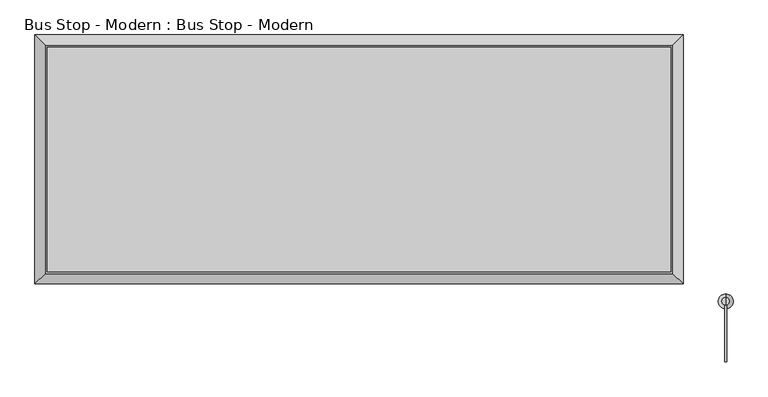
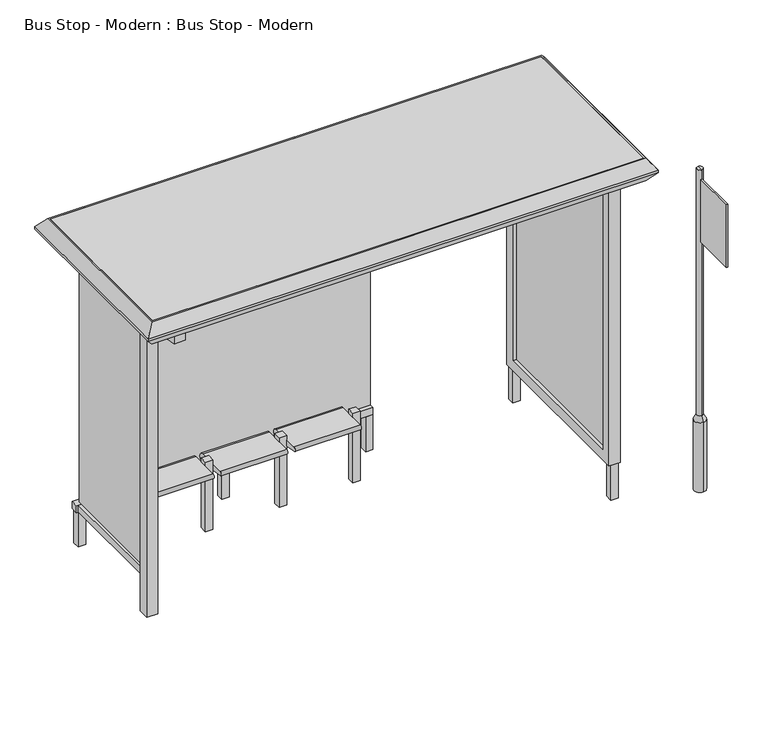
"""IFC4 building model written with IfcOpenShell, lengths in millimetres: geographic element geometry, Bus Stop - Modern : Bus Stop - Modern."""

from ifc_helpers import new_model, si_unit, point, frame, frame_2d, origin, origin_with_axes, place, context, project, spatial, polyline, circle_curve, trimmed, segment, composite_curve, outline, extrude, faceted_brep, source, transform, mapped, element, save
from ifc_brep_helpers import plane_surface, cylinder_surface, revolved_surface, advanced_brep


def bus_stop_modern_bus_stop_modern_3fdf870d(model_context):
    return source(origin(), model_context, "Body", "SolidModel", [
        extrude(outline(polyline([(1957.5, -1680.3732439), (1957.5, -1380.3732439), (1967.5, -1380.3732439), (1967.5, -1680.3732439), (1957.5, -1680.3732439)])), frame((0.0, 0.0, 1784.6), z_axis=(0.0, 0.0, 1.0), x_axis=(1.0, 0.0, 0.0)), (0.0, 0.0, 1.0), 450.0),
        advanced_brep(
        [(1962.5, -1398.2604073, 500.0), (1962.5, -1318.2604073, 500.0), (1962.5, -1318.2604073, 0.0), (1962.5, -1398.2604073, 0.0), (1962.5, -1378.2604073, 534.6), (1962.5, -1338.2604073, 534.6), (1962.5, -1378.2604073, 2300.0), (1962.5, -1338.2604073, 2300.0), (1962.5, -1358.2604073, 2300.0), (1962.5, -1358.2604073, 0.0)],
        [
            (0, 1, circle_curve(frame((1962.5, -1358.2604073, 500.0), z_axis=(0.0, 0.0, -1.0), x_axis=(0.0, 1.0, 0.0)), 40.0)),
            (1, 2),
            (2, 3, circle_curve(frame((1962.5, -1358.2604073, 0.0), z_axis=(0.0, 0.0, 1.0), x_axis=(0.0, 1.0, 0.0)), 40.0)),
            (3, 0),
            (1, 0, circle_curve(frame((1962.5, -1358.2604073, 500.0), z_axis=(0.0, 0.0, -1.0), x_axis=(0.0, 1.0, 0.0)), 40.0)),
            (3, 2, circle_curve(frame((1962.5, -1358.2604073, 0.0), z_axis=(0.0, 0.0, 1.0), x_axis=(0.0, 1.0, 0.0)), 40.0)),
            (4, 5, circle_curve(frame((1962.5, -1358.2604073, 534.6), z_axis=(0.0, 0.0, -1.0), x_axis=(0.0, 1.0, 0.0)), 20.0)),
            (5, 1),
            (0, 4),
            (5, 4, circle_curve(frame((1962.5, -1358.2604073, 534.6), z_axis=(0.0, 0.0, -1.0), x_axis=(0.0, 1.0, 0.0)), 20.0)),
            (6, 7, circle_curve(frame((1962.5, -1358.2604073, 2300.0), z_axis=(0.0, 0.0, -1.0), x_axis=(0.0, 1.0, 0.0)), 20.0)),
            (7, 5),
            (4, 6),
            (7, 6, circle_curve(frame((1962.5, -1358.2604073, 2300.0), z_axis=(0.0, 0.0, -1.0), x_axis=(0.0, 1.0, 0.0)), 20.0)),
            (8, 7),
            (6, 8),
            (2, 9),
            (9, 3),
        ],
        [
            cylinder_surface(frame((1962.5, -1358.2604073, -120.0), z_axis=(0.0, 0.0, 1.0), x_axis=(0.0, 1.0, 0.0)), 40.0),
            revolved_surface(polyline([(1962.5, -1318.2604073, 500.0), (1962.5, -1338.2604073, 534.6)]), (1962.5, -1358.2604073, -120.0), (0.0, 0.0, 1.0)),
            cylinder_surface(frame((1962.5, -1358.2604073, -120.0), z_axis=(0.0, 0.0, 1.0), x_axis=(0.0, 1.0, 0.0)), 20.0),
            plane_surface(frame((1962.5, -1358.2604073, 2300.0), z_axis=(0.0, 0.0, 1.0), x_axis=(0.0, 1.0, 0.0))),
            plane_surface(frame((1962.5, -1358.2604073, 0.0), z_axis=(0.0, 0.0, -1.0), x_axis=(0.0, 1.0, 0.0))),
        ],
        [
            (0, [[1, 2, 3, 4]]),
            (0, [[5, -4, 6, -2]]),
            (1, [[7, 8, -1, 9]]),
            (1, [[10, -9, -5, -8]]),
            (2, [[11, 12, -7, 13]]),
            (2, [[14, -13, -10, -12]]),
            (3, [[15, -11, 16]]),
            (3, [[-16, -14, -15]]),
            (4, [[-3, 17, 18]]),
            (4, [[-6, -18, -17]]),
        ],
    ),
        faceted_brep([(1735.0, 65.0, 2310.0), (1680.0, 10.0, 2380.0), (1680.0, -1210.0, 2380.0), (1735.0, -1265.0, 2310.0), (1735.0, 65.0, 2290.0), (1735.0, -1265.0, 2290.0), (1680.0, 10.0, 2220.0), (1680.0, -1210.0, 2220.0), (1670.0, 0.0, 2380.0), (1670.0, 0.0, 2220.0), (1670.0, -1200.0, 2220.0), (1670.0, -1200.0, 2380.0), (-1672.5, -1210.0, 2380.0), (-1727.5, -1265.0, 2310.0), (-1727.5, -1265.0, 2290.0), (-1672.5, -1210.0, 2220.0), (-1662.5, -1200.0, 2220.0), (-1662.5, -1200.0, 2380.0), (-1672.5, 10.0, 2380.0), (-1727.5, 65.0, 2310.0), (-1727.5, 65.0, 2290.0), (-1672.5, 10.0, 2220.0), (-1662.5, 0.0, 2220.0), (-1662.5, 0.0, 2380.0)], [[[0, 1, 2, 3]], [[4, 0, 3, 5]], [[6, 4, 5, 7]], [[8, 9, 10, 11]], [[3, 2, 12, 13]], [[5, 3, 13, 14]], [[7, 5, 14, 15]], [[11, 10, 16, 17]], [[13, 12, 18, 19]], [[14, 13, 19, 20]], [[15, 14, 20, 21]], [[17, 16, 22, 23]], [[19, 18, 1, 0]], [[20, 19, 0, 4]], [[21, 20, 4, 6]], [[7, 15, 21, 6], [9, 22, 16, 10]], [[23, 22, 9, 8]], [[1, 18, 12, 2], [11, 17, 23, 8]]]),
        extrude(outline(polyline([(-1662.5, -1200.0), (-1662.5, 0.0), (1670.0, 0.0), (1670.0, -1200.0), (-1662.5, -1200.0)])), frame((0.0, 0.0, 2220.0), z_axis=(0.0, 0.0, 1.0), x_axis=(1.0, 0.0, 0.0)), (0.0, 0.0, 1.0), 160.0),
        extrude(outline(polyline([(1490.0, -50.0), (1490.0, -1150.0), (1480.0, -1150.0), (1480.0, -50.0), (1490.0, -50.0)])), frame((0.0, 0.0, 300.0), z_axis=(0.0, 0.0, 1.0), x_axis=(1.0, 0.0, 0.0)), (0.0, 0.0, 1.0), 1870.0),
        extrude(outline(polyline([(1460.0, -1150.0), (1460.0, -50.0), (1470.0, -50.0), (1470.0, -1150.0), (1460.0, -1150.0)])), frame((0.0, 0.0, 300.0), z_axis=(0.0, 0.0, 1.0), x_axis=(1.0, 0.0, 0.0)), (0.0, 0.0, 1.0), 1870.0),
        faceted_brep([(1512.5, 0.0, 250.0), (1437.5, 0.0, 250.0), (1437.5, 0.0, 2220.0), (1512.5, 0.0, 2220.0), (1487.5, -75.0, 325.0), (1512.5, -75.0, 325.0), (1512.5, -75.0, 2145.0), (1487.5, -75.0, 2145.0), (1462.5, -50.0, 300.0), (1487.5, -50.0, 300.0), (1487.5, -50.0, 2170.0), (1462.5, -50.0, 2170.0), (1437.5, -75.0, 325.0), (1462.5, -75.0, 325.0), (1462.5, -75.0, 2145.0), (1437.5, -75.0, 2145.0), (1437.5, -1200.0, 2220.0), (1512.5, -1200.0, 2220.0), (1512.5, -1125.0, 2145.0), (1487.5, -1125.0, 2145.0), (1487.5, -1150.0, 2170.0), (1462.5, -1150.0, 2170.0), (1462.5, -1125.0, 2145.0), (1437.5, -1125.0, 2145.0), (1437.5, -1200.0, 250.0), (1512.5, -1200.0, 250.0), (1512.5, -1125.0, 325.0), (1487.5, -1125.0, 325.0), (1487.5, -1150.0, 300.0), (1462.5, -1150.0, 300.0), (1462.5, -1125.0, 325.0), (1437.5, -1125.0, 325.0)], [[[0, 1, 2, 3]], [[4, 5, 6, 7]], [[8, 9, 10, 11]], [[12, 13, 14, 15]], [[3, 2, 16, 17]], [[7, 6, 18, 19]], [[11, 10, 20, 21]], [[15, 14, 22, 23]], [[17, 16, 24, 25]], [[19, 18, 26, 27]], [[21, 20, 28, 29]], [[23, 22, 30, 31]], [[25, 24, 1, 0]], [[3, 17, 25, 0], [5, 26, 18, 6]], [[27, 26, 5, 4]], [[9, 28, 20, 10], [7, 19, 27, 4]], [[29, 28, 9, 8]], [[11, 21, 29, 8], [13, 30, 22, 14]], [[31, 30, 13, 12]], [[1, 24, 16, 2], [15, 23, 31, 12]]]),
        extrude(outline(polyline([(500.0, -20.0), (-1470.0, -20.0), (-1470.0, -10.0), (500.0, -10.0), (500.0, -20.0)])), frame((0.0, 0.0, 300.0), z_axis=(0.0, 0.0, 1.0), x_axis=(1.0, 0.0, 0.0)), (0.0, 0.0, 1.0), 1920.0),
        extrude(outline(polyline([(-800.0, 300.0), (-800.0, 2100.0), (-25.0, 2158.125), (-25.0, 300.0), (-800.0, 300.0)])), frame((-1480.0, 0.0, 0.0), z_axis=(1.0, 0.0, 0.0), x_axis=(0.0, 1.0, 0.0)), (0.0, 0.0, 1.0), 10.0),
        extrude(outline(composite_curve([segment(trimmed(circle_curve(frame_2d((-171.5367578, 436.9988667)), 33.0011333), [point((-171.5367578, 470.0))], [point((-171.5367578, 403.9977334))], False, "CARTESIAN"), True, "CONTINUOUS"), segment(polyline([(-171.5367578, 403.9977334), (-376.5367578, 440.1447644)]), True, "CONTINUOUS"), segment(trimmed(circle_curve(frame_2d((-376.5367578, 455.0723822)), 14.9276178), [point((-376.5367578, 440.1447644))], [point((-376.5367578, 470.0))], False, "CARTESIAN"), True, "CONTINUOUS"), segment(polyline([(-376.5367578, 470.0), (-171.5367578, 470.0)]), True, "CONTINUOUS")], self_intersect=False)), frame((-225.0, 0.0, 0.0), z_axis=(1.0, 0.0, 0.0), x_axis=(0.0, 1.0, 0.0)), (0.0, 0.0, 1.0), 450.0),
        extrude(outline(composite_curve([segment(trimmed(circle_curve(frame_2d((-171.5367578, 436.9988667)), 33.0011333), [point((-171.5367578, 470.0))], [point((-171.5367578, 403.9977334))], False, "CARTESIAN"), True, "CONTINUOUS"), segment(polyline([(-171.5367578, 403.9977334), (-376.5367578, 440.1447644)]), True, "CONTINUOUS"), segment(trimmed(circle_curve(frame_2d((-376.5367578, 455.0723822)), 14.9276178), [point((-376.5367578, 440.1447644))], [point((-376.5367578, 470.0))], False, "CARTESIAN"), True, "CONTINUOUS"), segment(polyline([(-376.5367578, 470.0), (-171.5367578, 470.0)]), True, "CONTINUOUS")], self_intersect=False)), frame((-725.0, 0.0, 0.0), z_axis=(1.0, 0.0, 0.0), x_axis=(0.0, 1.0, 0.0)), (0.0, 0.0, 1.0), 450.0),
        extrude(outline(composite_curve([segment(trimmed(circle_curve(frame_2d((-173.0011333, 436.9988667)), 33.0011333), [point((-173.0011333, 470.0))], [point((-173.0011333, 403.9977334))], False, "CARTESIAN"), True, "CONTINUOUS"), segment(polyline([(-173.0011333, 403.9977334), (-378.0011333, 440.1447644)]), True, "CONTINUOUS"), segment(trimmed(circle_curve(frame_2d((-378.0011333, 455.0723822)), 14.9276178), [point((-378.0011333, 440.1447644))], [point((-378.0011333, 470.0))], False, "CARTESIAN"), True, "CONTINUOUS"), segment(polyline([(-378.0011333, 470.0), (-173.0011333, 470.0)]), True, "CONTINUOUS")], self_intersect=False)), frame((-1225.0, 0.0, 0.0), z_axis=(1.0, 0.0, 0.0), x_axis=(0.0, 1.0, 0.0)), (0.0, 0.0, 1.0), 450.0),
        extrude(outline(polyline([(-1200.0, 2220.0), (0.0, 2220.0), (0.0, 2160.0), (-800.0, 2100.0), (-875.0, 2100.0), (-1200.0, 2160.0), (-1200.0, 2220.0)])), frame((-1512.5, 0.0, 0.0), z_axis=(1.0, 0.0, 0.0), x_axis=(0.0, 1.0, 0.0)), (0.0, 0.0, 1.0), 75.0),
        extrude(outline(polyline([(-1437.5, -800.0), (-1437.5, -875.0), (-1512.5, -875.0), (-1512.5, -800.0), (-1437.5, -800.0)])), origin_with_axes(), (0.0, 0.0, 1.0), 2100.0),
        extrude(outline(polyline([(-1500.0, -50.0), (-1450.0, -50.0), (-1450.0, -800.0), (-1500.0, -800.0), (-1500.0, -50.0)])), frame((0.0, 0.0, 250.0), z_axis=(0.0, 0.0, 1.0), x_axis=(1.0, 0.0, 0.0)), (0.0, 0.0, 1.0), 50.0),
        extrude(outline(polyline([(500.0, 0.0), (500.0, -50.0), (-1512.5, -50.0), (-1512.5, 0.0), (500.0, 0.0)])), frame((0.0, 0.0, 250.0), z_axis=(0.0, 0.0, 1.0), x_axis=(1.0, 0.0, 0.0)), (0.0, 0.0, 1.0), 50.0),
        extrude(outline(polyline([(275.0, -240.0), (275.0, -290.0), (225.0, -290.0), (225.0, -240.0), (275.0, -240.0)])), origin_with_axes(), (0.0, 0.0, 1.0), 500.0),
        extrude(outline(polyline([(-225.0, -240.0), (-225.0, -290.0), (-275.0, -290.0), (-275.0, -240.0), (-225.0, -240.0)])), origin_with_axes(), (0.0, 0.0, 1.0), 500.0),
        extrude(outline(polyline([(-725.0, -240.0), (-725.0, -290.0), (-775.0, -290.0), (-775.0, -240.0), (-725.0, -240.0)])), origin_with_axes(), (0.0, 0.0, 1.0), 500.0),
        extrude(outline(polyline([(-1225.0, -240.0), (-1225.0, -290.0), (-1275.0, -290.0), (-1275.0, -240.0), (-1225.0, -240.0)])), origin_with_axes(), (0.0, 0.0, 1.0), 500.0),
        extrude(outline(polyline([(1500.0, -1150.0), (1500.0, -1200.0), (1450.0, -1200.0), (1450.0, -1150.0), (1500.0, -1150.0)])), origin_with_axes(), (0.0, 0.0, 1.0), 250.0),
        extrude(outline(polyline([(1500.0, 0.0), (1500.0, -50.0), (1450.0, -50.0), (1450.0, 0.0), (1500.0, 0.0)])), origin_with_axes(), (0.0, 0.0, 1.0), 250.0),
        extrude(outline(polyline([(500.0, 0.0), (500.0, -50.0), (450.0, -50.0), (450.0, 0.0), (500.0, 0.0)])), origin_with_axes(), (0.0, 0.0, 1.0), 250.0),
        extrude(outline(polyline([(-475.0, 0.0), (-475.0, -50.0), (-525.0, -50.0), (-525.0, 0.0), (-475.0, 0.0)])), origin_with_axes(), (0.0, 0.0, 1.0), 250.0),
        extrude(outline(polyline([(-1450.0, 0.0), (-1450.0, -50.0), (-1500.0, -50.0), (-1500.0, 0.0), (-1450.0, 0.0)])), origin_with_axes(), (0.0, 0.0, 1.0), 250.0),
    ])


if __name__ == "__main__":
    model = new_model("IFC4")
    model_context = context("Model", 3, world=origin())
    ifc_project = project(units=[si_unit("LENGTHUNIT", "METRE", prefix="MILLI")], contexts=[model_context])
    site = spatial("IfcSite", under=ifc_project)
    building = spatial("IfcBuilding", under=site)
    placement = place(None, origin())
    bus_stop_modern_bus_stop_modern_shape = bus_stop_modern_bus_stop_modern_3fdf870d(model_context)
    element("IfcGeographicElement", 1, ObjectType="Bus Stop - Modern : Bus Stop - Modern", at=placement, inside=building, context=model_context, shape_type="MappedRepresentation", body=[
        mapped(bus_stop_modern_bus_stop_modern_shape, transform((0.0, 0.0, 0.0), x_axis=(1.0, 0.0, 0.0), y_axis=(0.0, 1.0, 0.0), z_axis=(0.0, 0.0, 1.0))),
    ])
    save(model, "model.ifc")
